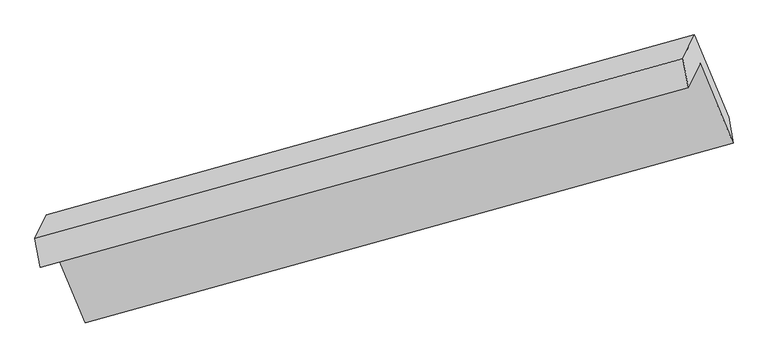
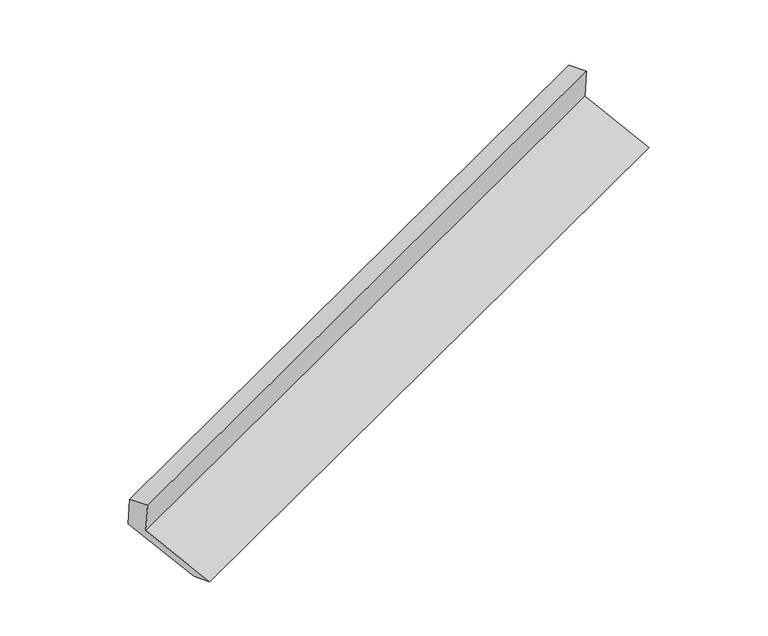
"""IFC4 building model written with IfcOpenShell, lengths in millimetres: proxy geometry."""

from ifc_helpers import new_model, si_unit, frame, origin, place, context, project, spatial, polyline, outline, extrude, source, transform, mapped, element, save


def generic_models_2a80d4e2(model_context):
    return source(origin(), model_context, "Body", "SweptSolid", [
        extrude(outline(polyline([(-77.5801147, -132.1129049), (334.1256724, -132.1129049), (208.1487103, -306.3081323), (-193.5570767, -306.3081322), (-193.5570767, 361.3234235), (-77.5801147, 515.5186508), (-77.5801147, -132.1129049)])), frame((-5150.8797456, -2142.294751, 1103.8577454), z_axis=(0.9103872678891576, 0.2530849845949563, 0.32732707348749185), x_axis=(-0.20233940608115702, -0.41773712615562797, 0.8857507878506018)), (0.0, 0.0, 1.0), 5030.5195664),
    ])


if __name__ == "__main__":
    model = new_model("IFC4")
    model_context = context("Model", 3, world=origin())
    ifc_project = project(units=[si_unit("LENGTHUNIT", "METRE", prefix="MILLI")], contexts=[model_context])
    site = spatial("IfcSite", under=ifc_project)
    building = spatial("IfcBuilding", under=site)
    placement = place(None, origin())
    generic_models_shape = generic_models_2a80d4e2(model_context)
    element("IfcBuildingElementProxy", 1, Name="Generic Models", at=placement, inside=building, context=model_context, shape_type="MappedRepresentation", body=[
        mapped(generic_models_shape, transform((0.0, 0.0, 0.0), x_axis=(1.0, 0.0, 0.0), y_axis=(0.0, 1.0, 0.0), z_axis=(0.0, 0.0, 1.0))),
    ])
    save(model, "model.ifc")
